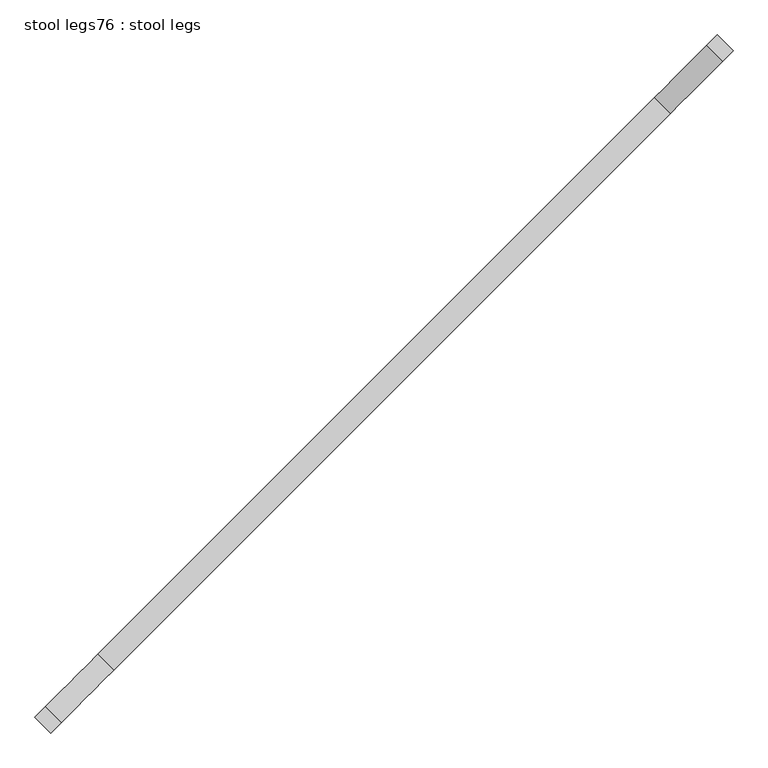
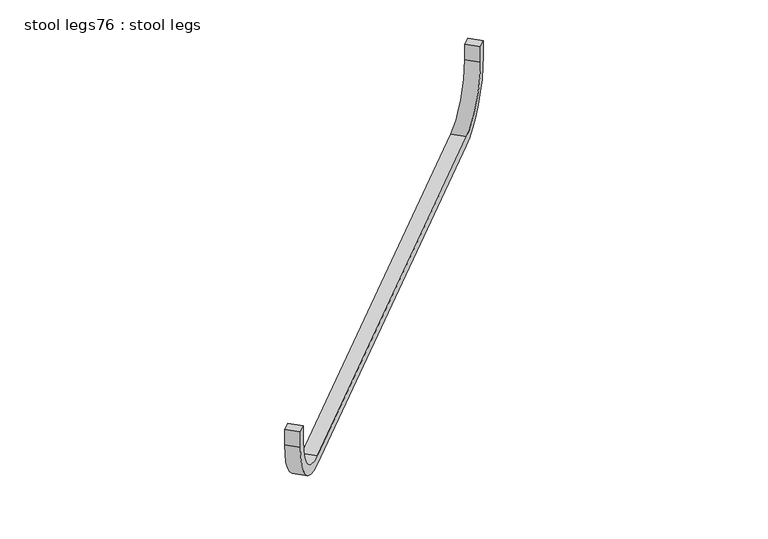
"""IFC4 building model written with IfcOpenShell, lengths in millimetres: furniture geometry, stool legs76 : stool legs."""

from ifc_helpers import new_model, si_unit, point, frame, frame_2d, origin, place, context, project, spatial, polyline, circle_curve, trimmed, segment, composite_curve, outline, extrude, source, transform, mapped, element, save


def stool_legs76_stool_legs_48dd78cb(model_context):
    return source(origin(), model_context, "Body", "SweptSolid", [
        extrude(outline(composite_curve([segment(polyline([(-44.45, 0.0), (0.0, 0.0), (0.0, -25.3999999), (-44.45, -25.3999999)]), True, "CONTINUOUS"), segment(trimmed(circle_curve(frame_2d((-44.45, 127.0000001)), 152.4), [point((-44.45, -25.3999999))], [point((-196.85, 127.0000001))], False, "CARTESIAN"), True, "CONTINUOUS"), segment(polyline([(-196.85, 127.0000001), (-196.85, 1473.2000001)]), True, "CONTINUOUS"), segment(trimmed(circle_curve(frame_2d((-44.45, 1473.2000001)), 152.4), [point((-196.85, 1473.2000001))], [point((-44.45, 1625.6))], False, "CARTESIAN"), True, "CONTINUOUS"), segment(polyline([(-44.45, 1625.6), (0.0, 1625.6), (0.0, 1600.2000001), (-44.45, 1600.2000001)]), True, "CONTINUOUS"), segment(trimmed(circle_curve(frame_2d((-44.45, 1473.2000001)), 127.0), [point((-44.45, 1600.2000001))], [point((-171.45, 1473.2000001))], True, "CARTESIAN"), True, "CONTINUOUS"), segment(polyline([(-171.45, 1473.2000001), (-171.45, 127.0000001)]), True, "CONTINUOUS"), segment(trimmed(circle_curve(frame_2d((-44.45, 127.0000001)), 127.0), [point((-171.45, 127.0000001))], [point((-44.45, 0.0))], True, "CARTESIAN"), True, "CONTINUOUS")], self_intersect=False)), frame((-120472.1412302, -39293.9286588, 457.2), z_axis=(-0.707106781186561, 0.707106781186534, 0.0), x_axis=(0.0, 0.0, 1.0)), (0.0, 0.0, 1.0), 38.1),
    ])


if __name__ == "__main__":
    model = new_model("IFC4")
    model_context = context("Model", 3, world=origin())
    ifc_project = project(units=[si_unit("LENGTHUNIT", "METRE", prefix="MILLI")], contexts=[model_context])
    site = spatial("IfcSite", under=ifc_project)
    building = spatial("IfcBuilding", under=site)
    placement = place(None, origin())
    stool_legs76_stool_legs_shape = stool_legs76_stool_legs_48dd78cb(model_context)
    element("IfcFurniture", 1, ObjectType="stool legs76 : stool legs", at=placement, inside=building, context=model_context, shape_type="MappedRepresentation", body=[
        mapped(stool_legs76_stool_legs_shape, transform((0.0, 0.0, 0.0), x_axis=(1.0, 0.0, 0.0), y_axis=(0.0, 1.0, 0.0), z_axis=(0.0, 0.0, 1.0))),
    ])
    save(model, "model.ifc")
